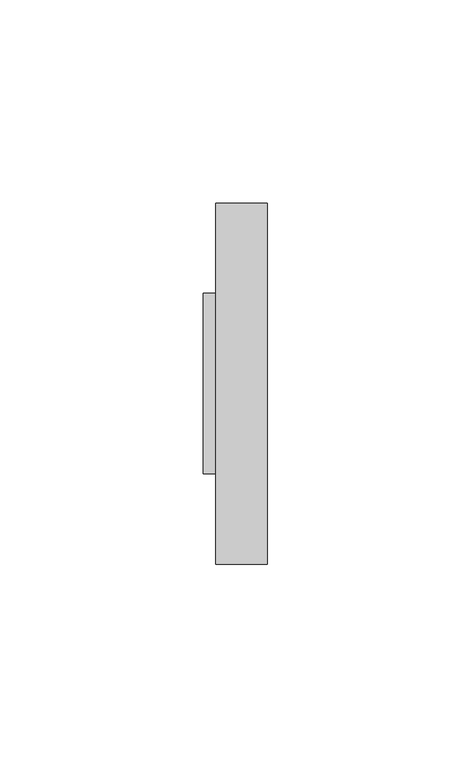
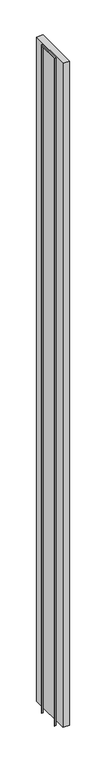
"""IFC4 building model written with IfcOpenShell, lengths in millimetres: furniture geometry."""

from ifc_helpers import new_model, si_unit, frame, origin, place, context, project, spatial, polyline, outline, extrude, source, transform, mapped, element, save


def furniture_1fd32b5c(model_context):
    return source(origin(), model_context, "Body", "SweptSolid", [
        extrude(outline(polyline([(16.4287944, 1370.0125), (16.4287944, 0.0), (15.6350444, 0.0), (15.6350444, 1369.21875), (-27.2274556, 1369.21875), (-27.2274556, 0.0), (-28.0212056, 0.0), (-28.0212056, 1370.0125), (16.4287944, 1370.0125)])), frame((-8.5456018, 0.0, 0.0), z_axis=(1.0, 0.0, 0.0), x_axis=(0.0, 1.0, 0.0)), (0.0, 0.0, 1.0), 3.175),
        extrude(outline(polyline([(7.3293982, 38.6537944), (7.3293982, -50.2462056), (-5.3706018, -50.2462056), (-5.3706018, 38.6537944), (7.3293982, 38.6537944)])), frame((0.0, 0.0, 9.525), z_axis=(0.0, 0.0, 1.0), x_axis=(1.0, 0.0, 0.0)), (0.0, 0.0, 1.0), 1362.075),
    ])


if __name__ == "__main__":
    model = new_model("IFC4")
    model_context = context("Model", 3, world=origin())
    ifc_project = project(units=[si_unit("LENGTHUNIT", "METRE", prefix="MILLI")], contexts=[model_context])
    site = spatial("IfcSite", under=ifc_project)
    building = spatial("IfcBuilding", under=site)
    placement = place(None, origin())
    furniture_shape = furniture_1fd32b5c(model_context)
    element("IfcFurniture", 1, at=placement, inside=building, context=model_context, shape_type="MappedRepresentation", body=[
        mapped(furniture_shape, transform((0.0, 0.0, 0.0), x_axis=(1.0, 0.0, 0.0), y_axis=(0.0, 1.0, 0.0), z_axis=(0.0, 0.0, 1.0))),
    ])
    save(model, "model.ifc")
